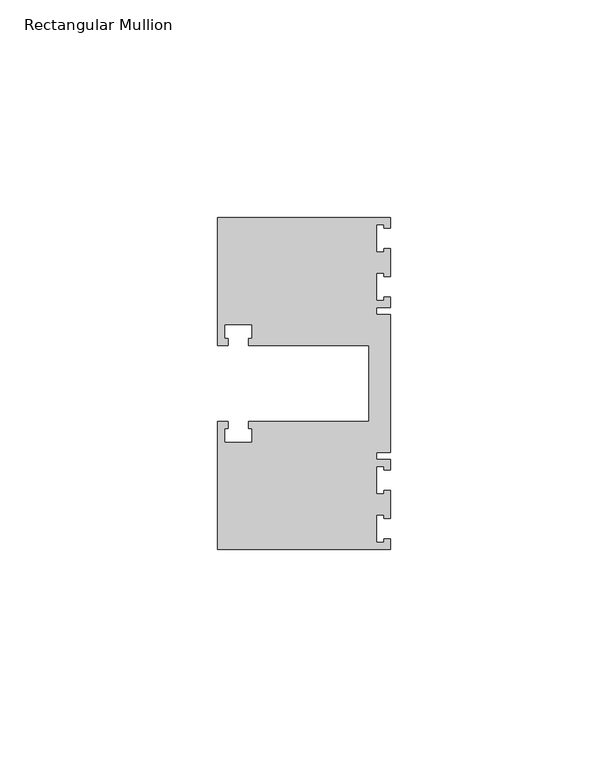
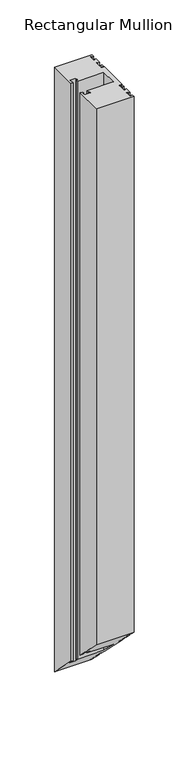
"""IFC4 building model written with IfcOpenShell, lengths in millimetres: member geometry, Rectangular Mullion."""

from ifc_helpers import new_model, si_unit, origin, place, context, project, spatial, faceted_brep, source, transform, mapped, element, save


def rectangular_mullion_a4b16faa(model_context):
    return source(origin(), model_context, "Body", "Brep", [
        faceted_brep([(0.0, 38.1, 0.0), (-39.6875, 38.1, 0.0), (-39.6875, 8.73125, 0.0), (-37.30625, 8.73125, 0.0), (-37.30625, 10.31875, 0.0), (-38.1, 10.31875, 0.0), (-38.1, 13.49375, 0.0), (-31.75, 13.49375, 0.0), (-31.75, 10.31875, 0.0), (-32.54375, 10.31875, 0.0), (-32.54375, 8.73125, 0.0), (-4.8585733, 8.73125, 0.0), (-4.8585733, -8.73125, 0.0), (-32.54375, -8.73125, 0.0), (-32.54375, -10.31875, 0.0), (-31.75, -10.31875, 0.0), (-31.75, -13.49375, 0.0), (-38.1, -13.49375, 0.0), (-38.1, -10.31875, 0.0), (-37.30625, -10.31875, 0.0), (-37.30625, -8.73125, 0.0), (-39.6875, -8.73125, 0.0), (-39.6875, -38.1, 0.0), (0.0, -38.1, 0.0), (0.0, -35.71875, 0.0), (-1.4999946, -35.71875, 0.0), (-1.4999946, -36.5125, 0.0), (-3.175, -36.5125, 0.0), (-3.175, -30.1625, 0.0), (-1.4999946, -30.1625, 0.0), (-1.4999946, -30.95625, 0.0), (0.0, -30.95625, 0.0), (0.0, -24.60625, 0.0), (-1.4999946, -24.60625, 0.0), (-1.4999946, -25.4, 0.0), (-3.175, -25.4, 0.0), (-3.175, -19.05, 0.0), (-1.4999946, -19.05, 0.0), (-1.4999946, -19.84375, 0.0), (0.0, -19.84375, 0.0), (0.0, -17.4625, 0.0), (-3.175, -17.4625, 0.0), (-3.175, -15.875, 0.0), (0.0, -15.875, 0.0), (0.0, 15.875, 0.0), (-3.175, 15.875, 0.0), (-3.175, 17.4625, 0.0), (0.0, 17.4625, 0.0), (0.0, 19.84375, 0.0), (-1.4999946, 19.84375, 0.0), (-1.4999946, 19.05, 0.0), (-3.175, 19.05, 0.0), (-3.175, 25.4, 0.0), (-1.4999946, 25.4, 0.0), (-1.4999946, 24.60625, 0.0), (0.0, 24.60625, 0.0), (0.0, 30.95625, 0.0), (-1.4999946, 30.95625, 0.0), (-1.4999946, 30.1625, 0.0), (-3.175, 30.1625, 0.0), (-3.175, 36.5125, 0.0), (-1.4999946, 36.5125, 0.0), (-1.4999946, 35.71875, 0.0), (0.0, 35.71875, 0.0), (0.0, 38.1, -673.1), (-39.6875, 38.1, -673.1), (-39.6875, 8.73125, -643.73125), (-37.30625, 8.73125, -643.73125), (-37.30625, 10.31875, -645.31875), (-38.1, 10.31875, -645.31875), (-38.1, 13.49375, -648.49375), (-31.75, 13.49375, -648.49375), (-31.75, 10.31875, -645.31875), (-32.54375, 10.31875, -645.31875), (-32.54375, 8.73125, -643.73125), (-4.8585733, 8.73125, -643.73125), (-4.8585733, -8.73125, -626.26875), (-32.54375, -8.73125, -626.26875), (-32.54375, -10.31875, -624.68125), (-31.75, -10.31875, -624.68125), (-31.75, -13.49375, -621.50625), (-38.1, -13.49375, -621.50625), (-38.1, -10.31875, -624.68125), (-37.30625, -10.31875, -624.68125), (-37.30625, -8.73125, -626.26875), (-39.6875, -8.73125, -626.26875), (-39.6875, -38.1, -596.9), (0.0, -38.1, -596.9), (0.0, -35.71875, -599.28125), (-1.4999946, -35.71875, -599.28125), (-1.4999946, -36.5125, -598.4875), (-3.175, -36.5125, -598.4875), (-3.175, -30.1625, -604.8375), (-1.4999946, -30.1625, -604.8375), (-1.4999946, -30.95625, -604.04375), (0.0, -30.95625, -604.04375), (0.0, -24.60625, -610.39375), (-1.4999946, -24.60625, -610.39375), (-1.4999946, -25.4, -609.6), (-3.175, -25.4, -609.6), (-3.175, -19.05, -615.95), (-1.4999946, -19.05, -615.95), (-1.4999946, -19.84375, -615.15625), (0.0, -19.84375, -615.15625), (0.0, -17.4625, -617.5375), (-3.175, -17.4625, -617.5375), (-3.175, -15.875, -619.125), (0.0, -15.875, -619.125), (0.0, 15.875, -650.875), (-3.175, 15.875, -650.875), (-3.175, 17.4625, -652.4625), (0.0, 17.4625, -652.4625), (0.0, 19.84375, -654.84375), (-1.4999946, 19.84375, -654.84375), (-1.4999946, 19.05, -654.05), (-3.175, 19.05, -654.05), (-3.175, 25.4, -660.4), (-1.4999946, 25.4, -660.4), (-1.4999946, 24.60625, -659.60625), (0.0, 24.60625, -659.60625), (0.0, 30.95625, -665.95625), (-1.4999946, 30.95625, -665.95625), (-1.4999946, 30.1625, -665.1625), (-3.175, 30.1625, -665.1625), (-3.175, 36.5125, -671.5125), (-1.4999946, 36.5125, -671.5125), (-1.4999946, 35.71875, -670.71875), (0.0, 35.71875, -670.71875)], [[[0, 1, 2, 3, 4, 5, 6, 7, 8, 9, 10, 11, 12, 13, 14, 15, 16, 17, 18, 19, 20, 21, 22, 23, 24, 25, 26, 27, 28, 29, 30, 31, 32, 33, 34, 35, 36, 37, 38, 39, 40, 41, 42, 43, 44, 45, 46, 47, 48, 49, 50, 51, 52, 53, 54, 55, 56, 57, 58, 59, 60, 61, 62, 63]], [[1, 0, 64, 65]], [[2, 1, 65, 66]], [[3, 2, 66, 67]], [[4, 3, 67, 68]], [[5, 4, 68, 69]], [[6, 5, 69, 70]], [[7, 6, 70, 71]], [[8, 7, 71, 72]], [[9, 8, 72, 73]], [[10, 9, 73, 74]], [[11, 10, 74, 75]], [[12, 11, 75, 76]], [[13, 12, 76, 77]], [[14, 13, 77, 78]], [[15, 14, 78, 79]], [[16, 15, 79, 80]], [[17, 16, 80, 81]], [[18, 17, 81, 82]], [[19, 18, 82, 83]], [[20, 19, 83, 84]], [[21, 20, 84, 85]], [[22, 21, 85, 86]], [[23, 22, 86, 87]], [[24, 23, 87, 88]], [[25, 24, 88, 89]], [[26, 25, 89, 90]], [[27, 26, 90, 91]], [[28, 27, 91, 92]], [[29, 28, 92, 93]], [[30, 29, 93, 94]], [[31, 30, 94, 95]], [[32, 31, 95, 96]], [[33, 32, 96, 97]], [[34, 33, 97, 98]], [[35, 34, 98, 99]], [[36, 35, 99, 100]], [[37, 36, 100, 101]], [[38, 37, 101, 102]], [[39, 38, 102, 103]], [[40, 39, 103, 104]], [[41, 40, 104, 105]], [[42, 41, 105, 106]], [[43, 42, 106, 107]], [[44, 43, 107, 108]], [[45, 44, 108, 109]], [[46, 45, 109, 110]], [[47, 46, 110, 111]], [[48, 47, 111, 112]], [[49, 48, 112, 113]], [[50, 49, 113, 114]], [[51, 50, 114, 115]], [[52, 51, 115, 116]], [[53, 52, 116, 117]], [[54, 53, 117, 118]], [[55, 54, 118, 119]], [[56, 55, 119, 120]], [[57, 56, 120, 121]], [[58, 57, 121, 122]], [[59, 58, 122, 123]], [[60, 59, 123, 124]], [[61, 60, 124, 125]], [[62, 61, 125, 126]], [[63, 62, 126, 127]], [[0, 63, 127, 64]], [[64, 127, 126, 125, 124, 123, 122, 121, 120, 119, 118, 117, 116, 115, 114, 113, 112, 111, 110, 109, 108, 107, 106, 105, 104, 103, 102, 101, 100, 99, 98, 97, 96, 95, 94, 93, 92, 91, 90, 89, 88, 87, 86, 85, 84, 83, 82, 81, 80, 79, 78, 77, 76, 75, 74, 73, 72, 71, 70, 69, 68, 67, 66, 65]]]),
    ])


if __name__ == "__main__":
    model = new_model("IFC4")
    model_context = context("Model", 3, world=origin())
    ifc_project = project(units=[si_unit("LENGTHUNIT", "METRE", prefix="MILLI")], contexts=[model_context])
    site = spatial("IfcSite", under=ifc_project)
    building = spatial("IfcBuilding", under=site)
    placement = place(None, origin())
    rectangular_mullion_shape = rectangular_mullion_a4b16faa(model_context)
    element("IfcMember", 1, ObjectType="Rectangular Mullion", at=placement, inside=building, context=model_context, shape_type="MappedRepresentation", body=[
        mapped(rectangular_mullion_shape, transform((0.0, 0.0, 0.0), x_axis=(1.0, 0.0, 0.0), y_axis=(0.0, 1.0, 0.0), z_axis=(0.0, 0.0, 1.0))),
    ])
    save(model, "model.ifc")
